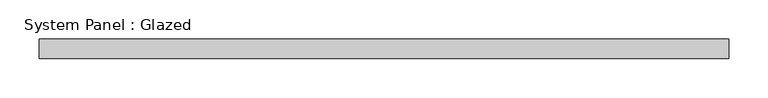
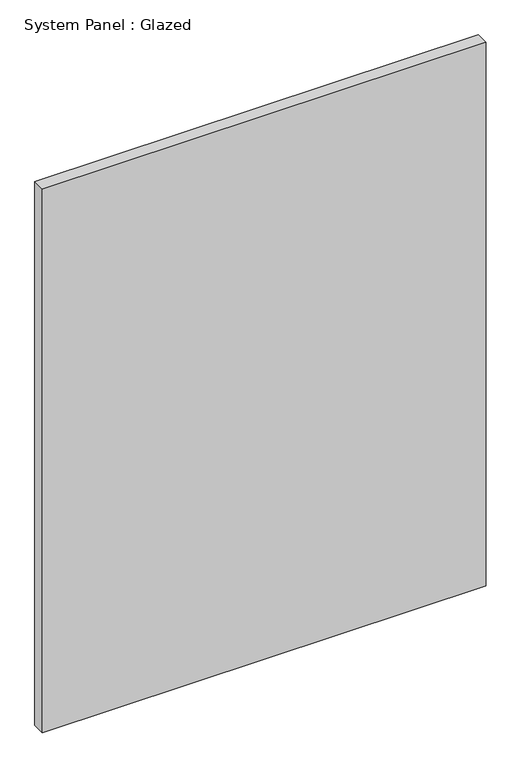
"""IFC4 building model written with IfcOpenShell, lengths in millimetres: plate geometry, System Panel : Glazed."""

from ifc_helpers import new_model, si_unit, origin, origin_with_axes, place, context, project, spatial, polyline, outline, extrude, source, transform, mapped, element, save


def system_panel_glazed_1d88e92e(model_context):
    return source(origin(), model_context, "Body", "SweptSolid", [
        extrude(outline(polyline([(441.3250951, 25.4), (-441.3250951, 25.4), (-441.3250951, 50.8), (441.3250951, 50.8), (441.3250951, 25.4)])), origin_with_axes(), (0.0, 0.0, 1.0), 1143.0),
    ])


if __name__ == "__main__":
    model = new_model("IFC4")
    model_context = context("Model", 3, world=origin())
    ifc_project = project(units=[si_unit("LENGTHUNIT", "METRE", prefix="MILLI")], contexts=[model_context])
    site = spatial("IfcSite", under=ifc_project)
    building = spatial("IfcBuilding", under=site)
    placement = place(None, origin())
    system_panel_glazed_shape = system_panel_glazed_1d88e92e(model_context)
    element("IfcPlate", 1, ObjectType="System Panel : Glazed", at=placement, inside=building, context=model_context, shape_type="MappedRepresentation", body=[
        mapped(system_panel_glazed_shape, transform((0.0, 0.0, 0.0), x_axis=(1.0, 0.0, 0.0), y_axis=(0.0, 1.0, 0.0), z_axis=(0.0, 0.0, 1.0))),
    ])
    save(model, "model.ifc")
